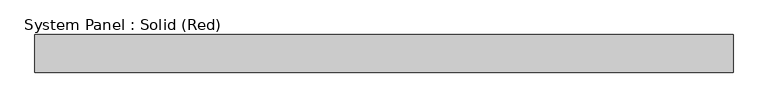
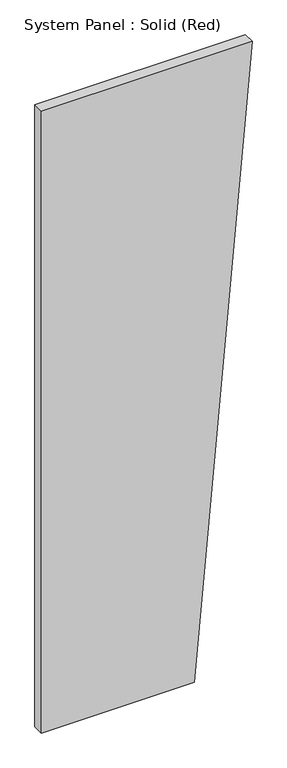
"""IFC4 building model written with IfcOpenShell, lengths in millimetres: plate geometry, System Panel : Solid (Red)."""

from ifc_helpers import new_model, si_unit, frame, origin, place, context, project, spatial, polyline, outline, extrude, source, transform, mapped, element, save


def system_panel_solid_red_c277e3ff(model_context):
    return source(origin(), model_context, "Body", "SweptSolid", [
        extrude(outline(polyline([(0.0, -585.536842), (0.0, 264.6947367), (3657.6, 585.536842), (3657.6, -585.536842), (0.0, -585.536842)])), frame((0.0, -19.05, 0.0), z_axis=(0.0, 1.0, 0.0), x_axis=(0.0, 0.0, 1.0)), (0.0, 0.0, 1.0), 63.5),
    ])


if __name__ == "__main__":
    model = new_model("IFC4")
    model_context = context("Model", 3, world=origin())
    ifc_project = project(units=[si_unit("LENGTHUNIT", "METRE", prefix="MILLI")], contexts=[model_context])
    site = spatial("IfcSite", under=ifc_project)
    building = spatial("IfcBuilding", under=site)
    placement = place(None, origin())
    system_panel_solid_red_shape = system_panel_solid_red_c277e3ff(model_context)
    element("IfcPlate", 1, ObjectType="System Panel : Solid (Red)", at=placement, inside=building, context=model_context, shape_type="MappedRepresentation", body=[
        mapped(system_panel_solid_red_shape, transform((0.0, 0.0, 0.0), x_axis=(1.0, 0.0, 0.0), y_axis=(0.0, 1.0, 0.0), z_axis=(0.0, 0.0, 1.0))),
    ])
    save(model, "model.ifc")
